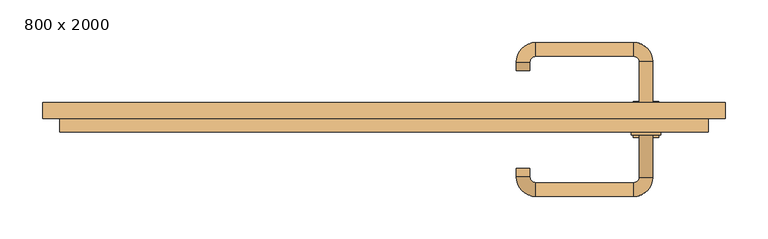
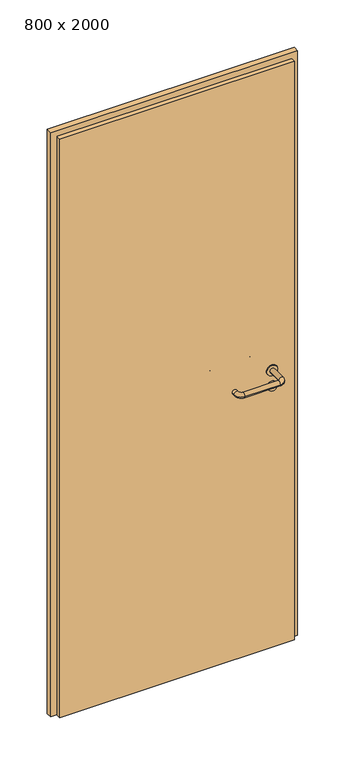
"""IFC4 building model written with IfcOpenShell, lengths in millimetres: door geometry, 800 x 2000."""

from ifc_helpers import new_model, si_unit, point, frame, frame_2d, origin, origin_with_axes, place, context, project, spatial, polyline, circle_curve, ellipse_curve, trimmed, segment, composite_curve, outline, extrude, source, transform, mapped, element, save
from ifc_brep_helpers import plane_surface, cylinder_surface, revolved_surface, advanced_brep


def door_800_x_2000_2e8631a5(model_context):
    return source(origin(), model_context, "Body", "SolidModel", [
        extrude(outline(composite_curve([segment(trimmed(circle_curve(frame_2d((897.3605726, 307.0)), 15.0), [point((897.3605726, 322.0))], [point((897.3605726, 292.0))], False, "CARTESIAN"), True, "CONTINUOUS"), segment(trimmed(circle_curve(frame_2d((897.3605726, 307.0)), 15.0), [point((897.3605726, 292.0))], [point((897.3605726, 322.0))], False, "CARTESIAN"), True, "CONTINUOUS")], self_intersect=False), holes=[composite_curve([segment(trimmed(circle_curve(frame_2d((892.5833211, 306.9398032)), 2.0), [point((892.5833211, 308.9398032))], [point((892.5833211, 304.9398032))], True, "CARTESIAN"), True, "CONTINUOUS"), segment(polyline([(892.5833211, 304.9398032), (902.5833211, 304.9398032)]), True, "CONTINUOUS"), segment(trimmed(circle_curve(frame_2d((902.5833211, 306.9398032)), 2.0), [point((902.5833211, 304.9398032))], [point((902.5833211, 308.9398032))], True, "CARTESIAN"), True, "CONTINUOUS"), segment(polyline([(902.5833211, 308.9398032), (892.5833211, 308.9398032)]), True, "CONTINUOUS")], self_intersect=False)]), frame((0.0, -31.35, 0.0), z_axis=(0.0, 1.0, 0.0), x_axis=(0.0, 0.0, 1.0)), (0.0, 0.0, 1.0), 6.35),
        extrude(outline(composite_curve([segment(trimmed(circle_curve(frame_2d((950.0, 307.0)), 17.526), [point((950.0, 324.526))], [point((950.0, 289.474))], False, "CARTESIAN"), True, "CONTINUOUS"), segment(trimmed(circle_curve(frame_2d((950.0, 307.0)), 17.526), [point((950.0, 289.474))], [point((950.0, 324.526))], False, "CARTESIAN"), True, "CONTINUOUS")], self_intersect=False)), frame((0.0, -28.175, 0.0), z_axis=(0.0, 1.0, 0.0), x_axis=(0.0, 0.0, 1.0)), (0.0, 0.0, 1.0), 3.175),
        advanced_brep(
        [(315.0, -25.0, 950.0), (299.0, -25.0, 950.0), (299.0, -78.0, 950.0), (315.0, -78.0, 950.0), (292.8578644, -84.1421356, 950.0), (292.8578644, -100.1421356, 950.0), (177.8578644, -84.1421356, 950.0), (177.8578644, -100.1421356, 950.0), (171.008622, -77.2928932, 950.0), (155.008622, -77.2928932, 950.0), (155.008622, -67.2928932, 950.0), (171.008622, -67.2928932, 950.0)],
        [
            (0, 1, circle_curve(frame((307.0, -25.0, 950.0), z_axis=(0.0, 1.0, 0.0), x_axis=(-1.0, 0.0, 0.0)), 8.0)),
            (1, 0, circle_curve(frame((307.0, -25.0, 950.0), z_axis=(0.0, 1.0, 0.0), x_axis=(-1.0, 0.0, 0.0)), 8.0)),
            (1, 2),
            (2, 3, circle_curve(frame((307.0, -78.0, 950.0), z_axis=(0.0, 1.0, 0.0), x_axis=(-1.0, 0.0, 0.0)), 8.0)),
            (3, 0),
            (3, 2, circle_curve(frame((307.0, -78.0, 950.0), z_axis=(0.0, 1.0, 0.0), x_axis=(-1.0, 0.0, 0.0)), 8.0)),
            (4, 5, circle_curve(frame((292.8578644, -92.1421356, 950.0), z_axis=(1.0, 0.0, 0.0), x_axis=(0.0, 1.0, 0.0)), 8.0)),
            (5, 3, circle_curve(frame((292.8578644, -78.0, 950.0), z_axis=(0.0, 0.0, 1.0), x_axis=(1.0, 0.0, 0.0)), 22.1421356)),
            (2, 4, circle_curve(frame((292.8578644, -78.0, 950.0), z_axis=(0.0, 0.0, -1.0), x_axis=(1.0, 0.0, 0.0)), 6.1421356)),
            (5, 4, circle_curve(frame((292.8578644, -92.1421356, 950.0), z_axis=(1.0, 0.0, 0.0), x_axis=(0.0, 1.0, 0.0)), 8.0)),
            (4, 6),
            (6, 7, circle_curve(frame((177.8578644, -92.1421356, 950.0), z_axis=(1.0, 0.0, 0.0), x_axis=(0.0, 1.0, 0.0)), 8.0)),
            (7, 5),
            (7, 6, circle_curve(frame((177.8578644, -92.1421356, 950.0), z_axis=(1.0, 0.0, 0.0), x_axis=(0.0, 1.0, 0.0)), 8.0)),
            (8, 9, circle_curve(frame((163.008622, -77.2928932, 950.0), z_axis=(0.0, -1.0, 0.0), x_axis=(1.0, 0.0, 0.0)), 8.0)),
            (9, 7, circle_curve(frame((177.8578644, -77.2928932, 950.0), z_axis=(0.0, 0.0, 1.0), x_axis=(0.0, -1.0, 0.0)), 22.8492424)),
            (6, 8, circle_curve(frame((177.8578644, -77.2928932, 950.0), z_axis=(0.0, 0.0, -1.0), x_axis=(0.0, -1.0, 0.0)), 6.8492424)),
            (9, 8, circle_curve(frame((163.008622, -77.2928932, 950.0), z_axis=(0.0, -1.0, 0.0), x_axis=(1.0, 0.0, 0.0)), 8.0)),
            (10, 11, circle_curve(frame((163.008622, -67.2928932, 950.0), z_axis=(0.0, 1.0, 0.0), x_axis=(1.0, 0.0, 0.0)), 8.0)),
            (11, 10, circle_curve(frame((163.008622, -67.2928932, 950.0), z_axis=(0.0, 1.0, 0.0), x_axis=(1.0, 0.0, 0.0)), 8.0)),
            (8, 11),
            (10, 9),
        ],
        [
            plane_surface(frame((307.0, -25.0, 0.0), z_axis=(0.0, 1.0, 0.0), x_axis=(0.0, 0.0, 1.0))),
            cylinder_surface(frame((307.0, -25.0, 950.0), z_axis=(0.0, 1.0, 0.0), x_axis=(-1.0, 0.0, 0.0)), 8.0),
            revolved_surface(trimmed(ellipse_curve(frame((307.0, -78.0, 950.0), z_axis=(0.0, -1.0, 0.0), x_axis=(-1.0, 0.0, 0.0)), 8.0, 8.0), [point((315.0, -78.0, 950.0))], [point((299.0, -78.0, 950.0))], True, "CARTESIAN"), (292.8578644, -78.0, 0.0), (0.0, 0.0, 1.0)),
            revolved_surface(trimmed(ellipse_curve(frame((307.0, -78.0, 950.0), z_axis=(0.0, -1.0, 0.0), x_axis=(-1.0, 0.0, 0.0)), 8.0, 8.0), [point((299.0, -78.0, 950.0))], [point((315.0, -78.0, 950.0))], True, "CARTESIAN"), (292.8578644, -78.0, 0.0), (0.0, 0.0, 1.0)),
            cylinder_surface(frame((292.8578644, -92.1421356, 950.0), z_axis=(1.0, 0.0, 0.0), x_axis=(0.0, 1.0, 0.0)), 8.0),
            revolved_surface(trimmed(ellipse_curve(frame((177.8578644, -92.1421356, 950.0), z_axis=(-1.0, 0.0, 0.0), x_axis=(0.0, 1.0, 0.0)), 8.0, 8.0), [point((177.8578644, -100.1421356, 950.0))], [point((177.8578644, -84.1421356, 950.0))], True, "CARTESIAN"), (177.8578644, -77.2928932, 0.0), (0.0, 0.0, 1.0)),
            revolved_surface(trimmed(ellipse_curve(frame((177.8578644, -92.1421356, 950.0), z_axis=(-1.0, 0.0, 0.0), x_axis=(0.0, 1.0, 0.0)), 8.0, 8.0), [point((177.8578644, -84.1421356, 950.0))], [point((177.8578644, -100.1421356, 950.0))], True, "CARTESIAN"), (177.8578644, -77.2928932, 0.0), (0.0, 0.0, 1.0)),
            plane_surface(frame((163.008622, -67.2928932, 0.0), z_axis=(0.0, 1.0, 0.0), x_axis=(0.0, 0.0, 1.0))),
            cylinder_surface(frame((163.008622, -77.2928932, 950.0), z_axis=(0.0, -1.0, 0.0), x_axis=(1.0, 0.0, 0.0)), 8.0),
        ],
        [
            (0, [[1, 2]]),
            (1, [[3, 4, 5, -2]]),
            (1, [[-5, 6, -3, -1]]),
            (2, [[7, 8, -4, 9]]),
            (3, [[10, -9, -6, -8]]),
            (4, [[11, 12, 13, -7]]),
            (4, [[-13, 14, -11, -10]]),
            (5, [[15, 16, -12, 17]]),
            (6, [[18, -17, -14, -16]]),
            (7, [[19, 20]]),
            (8, [[21, -19, 22, -15]]),
            (8, [[-22, -20, -21, -18]]),
        ],
    ),
        extrude(outline(composite_curve([segment(trimmed(circle_curve(frame_2d((0.0, -15.0)), 15.0), [point((0.0, -30.0))], [point((0.0, 0.0))], False, "CARTESIAN"), True, "CONTINUOUS"), segment(trimmed(circle_curve(frame_2d((0.0, -15.0)), 15.0), [point((0.0, 0.0))], [point((0.0, -30.0))], False, "CARTESIAN"), True, "CONTINUOUS")], self_intersect=False), holes=[composite_curve([segment(trimmed(circle_curve(frame_2d((4.7772515, -14.9398032)), 2.0), [point((4.7772515, -16.9398032))], [point((4.7772515, -12.9398032))], True, "CARTESIAN"), True, "CONTINUOUS"), segment(polyline([(4.7772515, -12.9398032), (-5.2227485, -12.9398032)]), True, "CONTINUOUS"), segment(trimmed(circle_curve(frame_2d((-5.2227485, -14.9398032)), 2.0), [point((-5.2227485, -12.9398032))], [point((-5.2227485, -16.9398032))], True, "CARTESIAN"), True, "CONTINUOUS"), segment(polyline([(-5.2227485, -16.9398032), (4.7772515, -16.9398032)]), True, "CONTINUOUS")], self_intersect=False)]), frame((292.0, 5.0, 897.3605726), z_axis=(1.8870575173328306e-12, 1.0, 0.0), x_axis=(0.0, 0.0, -1.0)), (0.0, 0.0, 1.0), 6.35),
        extrude(outline(composite_curve([segment(trimmed(circle_curve(frame_2d((0.0, -17.526)), 17.526), [point((0.0, -35.052))], [point((0.0, 0.0))], False, "CARTESIAN"), True, "CONTINUOUS"), segment(trimmed(circle_curve(frame_2d((0.0, -17.526)), 17.526), [point((0.0, 0.0))], [point((0.0, -35.052))], False, "CARTESIAN"), True, "CONTINUOUS")], self_intersect=False)), frame((289.474, 5.0, 950.0), z_axis=(1.8870575173328306e-12, 1.0, 0.0), x_axis=(0.0, 0.0, -1.0)), (0.0, 0.0, 1.0), 3.175),
        advanced_brep(
        [(315.0, 5.0, 950.0), (299.0, 5.0, 950.0), (315.0, 58.0, 950.0), (299.0, 58.0, 950.0), (292.8578644, 64.1421356, 950.0), (292.8578644, 80.1421356, 950.0), (177.8578644, 80.1421356, 950.0), (177.8578644, 64.1421356, 950.0), (171.008622, 57.2928932, 950.0), (155.008622, 57.2928932, 950.0), (155.008622, 47.2928932, 950.0), (171.008622, 47.2928932, 950.0)],
        [
            (0, 1, circle_curve(frame((307.0, 5.0, 950.0), z_axis=(-1.888672253512351e-12, -1.0, 0.0), x_axis=(-1.0, 1.888672253512351e-12, 0.0)), 8.0)),
            (1, 0, circle_curve(frame((307.0, 5.0, 950.0), z_axis=(-1.888672253512351e-12, -1.0, 0.0), x_axis=(-1.0, 1.888672253512351e-12, 0.0)), 8.0)),
            (0, 2),
            (2, 3, circle_curve(frame((307.0, 58.0, 950.0), z_axis=(-1.888672253512351e-12, -1.0, 0.0), x_axis=(-1.0, 1.888672253512351e-12, 0.0)), 8.0)),
            (3, 1),
            (3, 2, circle_curve(frame((307.0, 58.0, 950.0), z_axis=(-1.888672253512351e-12, -1.0, 0.0), x_axis=(-1.0, 1.888672253512351e-12, 0.0)), 8.0)),
            (4, 3, circle_curve(frame((292.8578644, 58.0, 950.0), z_axis=(0.0, 0.0, -1.0), x_axis=(1.0, -1.880717803715015e-12, 0.0)), 6.1421356)),
            (2, 5, circle_curve(frame((292.8578644, 58.0, 950.0), z_axis=(0.0, 0.0, 1.0), x_axis=(1.0, -1.880717803715015e-12, 0.0)), 22.1421356)),
            (5, 4, circle_curve(frame((292.8578644, 72.1421356, 950.0), z_axis=(1.0, -1.913702061528922e-12, 0.0), x_axis=(-1.913702061528922e-12, -1.0, 0.0)), 8.0)),
            (4, 5, circle_curve(frame((292.8578644, 72.1421356, 950.0), z_axis=(1.0, -1.913702061528922e-12, 0.0), x_axis=(-1.913702061528922e-12, -1.0, 0.0)), 8.0)),
            (5, 6),
            (6, 7, circle_curve(frame((177.8578644, 72.1421356, 950.0), z_axis=(1.0, -1.913719828541269e-12, 0.0), x_axis=(-1.913719828541269e-12, -1.0, 0.0)), 8.0)),
            (7, 4),
            (7, 6, circle_curve(frame((177.8578644, 72.1421356, 950.0), z_axis=(1.0, -1.913719828541269e-12, 0.0), x_axis=(-1.913719828541269e-12, -1.0, 0.0)), 8.0)),
            (8, 7, circle_curve(frame((177.8578644, 57.2928932, 950.0), z_axis=(0.0, 0.0, -1.0), x_axis=(1.9120873253494017e-12, 1.0, 0.0)), 6.8492424)),
            (6, 9, circle_curve(frame((177.8578644, 57.2928932, 950.0), z_axis=(0.0, 0.0, 1.0), x_axis=(1.9120873253494017e-12, 1.0, 0.0)), 22.8492424)),
            (9, 8, circle_curve(frame((163.008622, 57.2928932, 950.0), z_axis=(1.890448610351751e-12, 1.0, 0.0), x_axis=(1.0, -1.890448610351751e-12, 0.0)), 8.0)),
            (8, 9, circle_curve(frame((163.008622, 57.2928932, 950.0), z_axis=(1.8888942981172756e-12, 1.0, 0.0), x_axis=(1.0, -1.8888942981172756e-12, 0.0)), 8.0)),
            (10, 11, circle_curve(frame((163.008622, 47.2928932, 950.0), z_axis=(-1.8903642334018795e-12, -1.0, 0.0), x_axis=(1.0, -1.8903642334018795e-12, 0.0)), 8.0)),
            (11, 10, circle_curve(frame((163.008622, 47.2928932, 950.0), z_axis=(-1.8903642334018795e-12, -1.0, 0.0), x_axis=(1.0, -1.8903642334018795e-12, 0.0)), 8.0)),
            (9, 10),
            (11, 8),
        ],
        [
            plane_surface(frame((307.0, 5.0, 0.0), z_axis=(-1.8870575173328306e-12, -1.0, 0.0), x_axis=(0.0, 0.0, 1.0))),
            cylinder_surface(frame((307.0, 5.0, 950.0), z_axis=(-1.888672253512351e-12, -1.0, 0.0), x_axis=(-1.0, 1.888672253512351e-12, 0.0)), 8.0),
            revolved_surface(trimmed(ellipse_curve(frame((307.0, 58.0, 950.0), z_axis=(-1.8823325398945356e-12, -1.0, 0.0), x_axis=(-1.0, 1.8823325398945356e-12, 0.0)), 8.0, 8.0), [point((315.0, 58.0, 950.0))], [point((299.0, 58.0, 950.0))], True, "CARTESIAN"), (292.8578644, 58.0, 0.0), (0.0, 0.0, 1.0)),
            revolved_surface(trimmed(ellipse_curve(frame((307.0, 58.0, 950.0), z_axis=(-1.8823325398945356e-12, -1.0, 0.0), x_axis=(-1.0, 1.8823325398945356e-12, 0.0)), 8.0, 8.0), [point((299.0, 58.0, 950.0))], [point((315.0, 58.0, 950.0))], True, "CARTESIAN"), (292.8578644, 58.0, 0.0), (0.0, 0.0, 1.0)),
            cylinder_surface(frame((292.8578644, 72.1421356, 950.0), z_axis=(1.0, -1.913719828541269e-12, 0.0), x_axis=(-1.913719828541269e-12, -1.0, 0.0)), 8.0),
            revolved_surface(trimmed(ellipse_curve(frame((177.8578644, 72.1421356, 950.0), z_axis=(1.0, -1.913702061528922e-12, 0.0), x_axis=(-1.913702061528922e-12, -1.0, 0.0)), 8.0, 8.0), [point((177.8578644, 80.1421356, 950.0))], [point((177.8578644, 64.1421356, 950.0))], True, "CARTESIAN"), (177.8578644, 57.2928932, 0.0), (0.0, 0.0, 1.0)),
            revolved_surface(trimmed(ellipse_curve(frame((177.8578644, 72.1421356, 950.0), z_axis=(1.0, -1.913702061528922e-12, 0.0), x_axis=(-1.913702061528922e-12, -1.0, 0.0)), 8.0, 8.0), [point((177.8578644, 64.1421356, 950.0))], [point((177.8578644, 80.1421356, 950.0))], True, "CARTESIAN"), (177.8578644, 57.2928932, 0.0), (0.0, 0.0, 1.0)),
            plane_surface(frame((163.008622, 47.2928932, 0.0), z_axis=(-1.8887494972223595e-12, -1.0, 0.0), x_axis=(0.0, 0.0, 1.0))),
            cylinder_surface(frame((163.008622, 57.2928932, 950.0), z_axis=(1.8903642334018795e-12, 1.0, 0.0), x_axis=(1.0, -1.8903642334018795e-12, 0.0)), 8.0),
        ],
        [
            (0, [[1, 2]]),
            (1, [[-1, 3, 4, 5]]),
            (1, [[-2, -5, 6, -3]]),
            (2, [[7, -4, 8, 9]]),
            (3, [[-8, -6, -7, 10]]),
            (4, [[-9, 11, 12, 13]]),
            (4, [[-10, -13, 14, -11]]),
            (5, [[15, -12, 16, 17]]),
            (6, [[-16, -14, -15, 18]]),
            (7, [[19, 20]]),
            (8, [[-17, 21, -20, 22]]),
            (8, [[-18, -22, -19, -21]]),
        ],
    ),
        extrude(outline(polyline([(1980.0, 380.0), (0.0, 380.0), (0.0, 400.0), (2000.0, 400.0), (2000.0, -400.0), (0.0, -400.0), (0.0, -380.0), (1980.0, -380.0), (1980.0, 380.0)])), frame((0.0, -9.0, 0.0), z_axis=(0.0, 1.0, 0.0), x_axis=(0.0, 0.0, 1.0)), (0.0, 0.0, 1.0), 19.0),
        extrude(outline(polyline([(-380.0, 5.0), (380.0, 5.0), (380.0, -25.0), (-380.0, -25.0), (-380.0, 5.0)])), origin_with_axes(), (0.0, 0.0, 1.0), 1980.0),
    ])


if __name__ == "__main__":
    model = new_model("IFC4")
    model_context = context("Model", 3, world=origin())
    ifc_project = project(units=[si_unit("LENGTHUNIT", "METRE", prefix="MILLI")], contexts=[model_context])
    site = spatial("IfcSite", under=ifc_project)
    building = spatial("IfcBuilding", under=site)
    placement = place(None, origin())
    door_800_x_2000_shape = door_800_x_2000_2e8631a5(model_context)
    element("IfcDoor", 1, ObjectType="800 x 2000", at=placement, inside=building, context=model_context, shape_type="MappedRepresentation", body=[
        mapped(door_800_x_2000_shape, transform((0.0, 0.0, 0.0), x_axis=(1.0, 0.0, 0.0), y_axis=(0.0, 1.0, 0.0), z_axis=(0.0, 0.0, 1.0))),
    ])
    save(model, "model.ifc")
